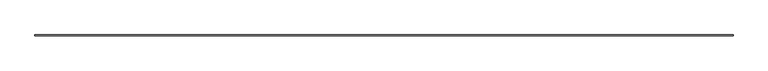
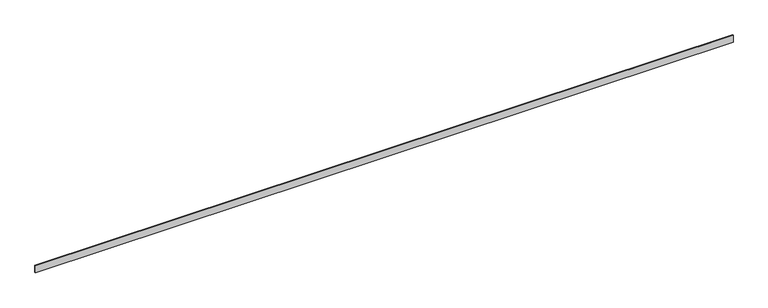
"""IFC4 building model written with IfcOpenShell, lengths in millimetres: furniture geometry."""

from ifc_helpers import new_model, si_unit, origin, origin_with_axes, place, context, project, spatial, polyline, outline, extrude, source, transform, mapped, element, save


def furniture_658fb29f(model_context):
    return source(origin(), model_context, "Body", "SweptSolid", [
        extrude(outline(polyline([(0.0, 0.0), (0.0, 10.0), (9502.3687358, 10.0), (9502.3687358, 0.0), (0.0, 0.0)])), origin_with_axes(), (0.0, 0.0, 1.0), 100.0),
    ])


if __name__ == "__main__":
    model = new_model("IFC4")
    model_context = context("Model", 3, world=origin())
    ifc_project = project(units=[si_unit("LENGTHUNIT", "METRE", prefix="MILLI")], contexts=[model_context])
    site = spatial("IfcSite", under=ifc_project)
    building = spatial("IfcBuilding", under=site)
    placement = place(None, origin())
    furniture_shape = furniture_658fb29f(model_context)
    element("IfcFurniture", 1, at=placement, inside=building, context=model_context, shape_type="MappedRepresentation", body=[
        mapped(furniture_shape, transform((0.0, 0.0, 0.0), x_axis=(1.0, 0.0, 0.0), y_axis=(0.0, 1.0, 0.0), z_axis=(0.0, 0.0, 1.0))),
    ])
    save(model, "model.ifc")
